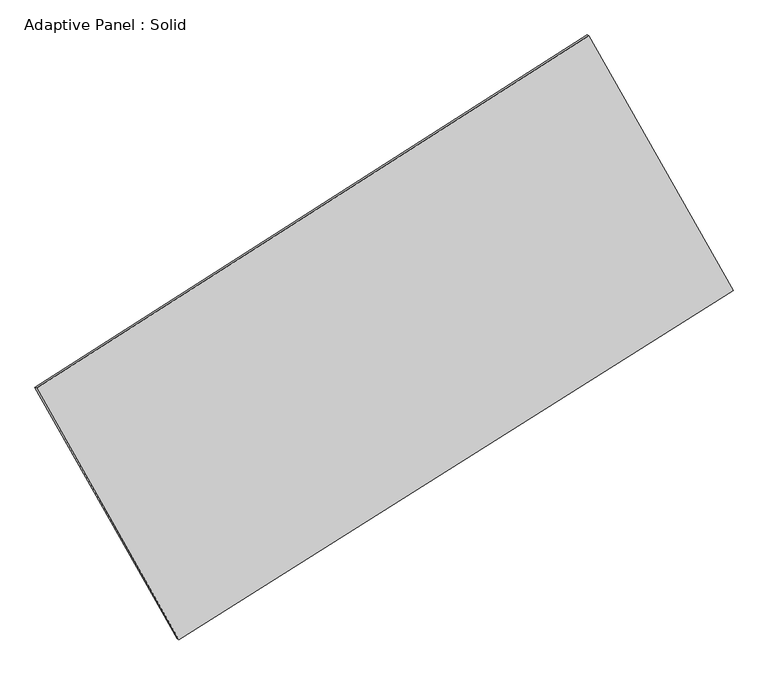
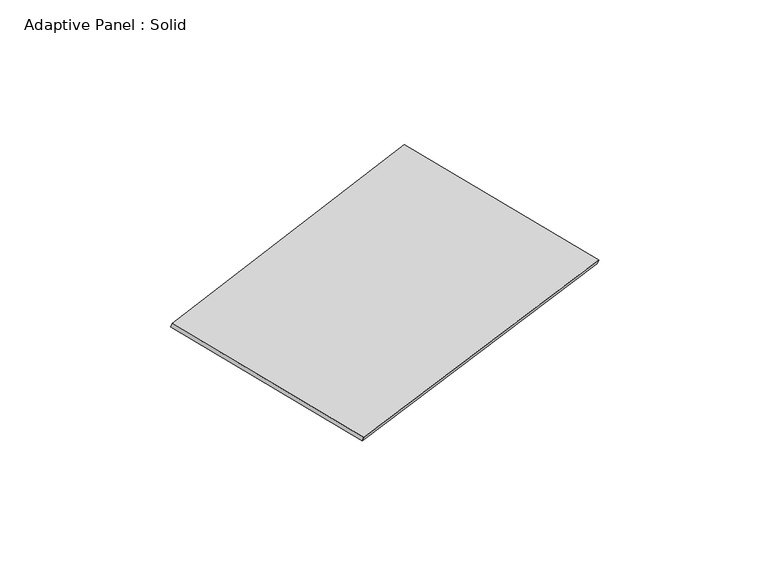
"""IFC4 building model written with IfcOpenShell, lengths in millimetres: plate geometry, Adaptive Panel : Solid."""

import ifcopenshell
import ifcopenshell.guid

model = None  # the IFC model being written
_history = None  # IfcOwnerHistory: only IFC2X3 demands one
_inside = {}  # id of a spatial element -> (the spatial element, [elements in it])
_under = {}  # id of a project, library or spatial element -> (it, [spatial elements below it])
_declared = {}  # id of a project -> (the project, [libraries it declares])
_typed = {}  # id of a type object -> (the type object, [elements of that type])
_made_of = {}  # id of a material, layer set ... -> (it, [elements and type objects made of it])


def new_model(schema):
    """Start an empty IFC model of exactly this schema.

    Asked for "IFC4X3", IfcOpenShell would pick the latest addendum, in which some entities
    have other attributes; the version numbers below select the first issue.
    IFC2X3 requires an IfcOwnerHistory on every rooted entity: one is made here for all.
    """
    global model, _history
    if schema == "IFC4X3":
        model = ifcopenshell.file(schema_version=(4, 3, 0, 0))
    else:
        model = ifcopenshell.file(schema=schema)
    _inside.clear()
    _under.clear()
    _declared.clear()
    _typed.clear()
    _made_of.clear()
    _history = None
    if model.schema == "IFC2X3":
        org = make("IfcOrganization", Name="unknown")
        user = make(
            "IfcPersonAndOrganization",
            ThePerson=make("IfcPerson", FamilyName="unknown"),
            TheOrganization=org,
        )
        app = make(
            "IfcApplication",
            ApplicationDeveloper=org,
            Version="unknown",
            ApplicationFullName="unknown",
            ApplicationIdentifier="unknown",
        )
        _history = make(
            "IfcOwnerHistory",
            OwningUser=user,
            OwningApplication=app,
            ChangeAction="ADDED",
            CreationDate=0,
        )
    return model


def make(cls, **values):
    """One entity of the class cls with the attributes given. An attribute that is None is left unset."""
    return model.create_entity(
        cls, **{name: value for name, value in values.items() if value is not None}
    )


def rooted(cls, **values):
    """An entity with a GlobalId (a new one), such as an element, a storey or a relation."""
    return make(cls, GlobalId=ifcopenshell.guid.new(), OwnerHistory=_history, **values)


def si_unit(unit_type, name, prefix=None):
    """IfcSIUnit, for example si_unit("LENGTHUNIT", "METRE", prefix="MILLI")."""
    return make("IfcSIUnit", UnitType=unit_type, Prefix=prefix, Name=name)


def assignment(units):
    """IfcUnitAssignment: the units of a project."""
    return None if units is None else make("IfcUnitAssignment", Units=units)


def point(xyz):
    """IfcCartesianPoint."""
    return None if xyz is None else make("IfcCartesianPoint", Coordinates=xyz)


def direction(xyz):
    """IfcDirection."""
    return None if xyz is None else make("IfcDirection", DirectionRatios=xyz)


def frame(location, z_axis=None, x_axis=None):
    """IfcAxis2Placement3D, a coordinate frame: its origin and axes. An axis left out is left unset."""
    return make(
        "IfcAxis2Placement3D",
        Location=point(location),
        Axis=direction(z_axis),
        RefDirection=direction(x_axis),
    )


def origin():
    """The frame at (0, 0, 0) with its axes left unset."""
    return frame((0.0, 0.0, 0.0))


def place(relative_to, where):
    """IfcLocalPlacement: puts the frame where relative to a parent placement (None: the world)."""
    return make(
        "IfcLocalPlacement", PlacementRelTo=relative_to, RelativePlacement=where
    )


def context(
    kind, dimensions, precision=None, world=None, true_north=None, identifier=None
):
    """IfcGeometricRepresentationContext, for example the 3D "Model" context."""
    return make(
        "IfcGeometricRepresentationContext",
        ContextIdentifier=identifier,
        ContextType=kind,
        CoordinateSpaceDimension=dimensions,
        Precision=precision,
        WorldCoordinateSystem=world,
        TrueNorth=true_north,
    )


def project(units=None, contexts=None):
    """IfcProject with its units and contexts."""
    return rooted(
        "IfcProject",
        Name="project",
        RepresentationContexts=contexts,
        UnitsInContext=assignment(units),
    )


def spatial(cls, under=None, at=None, **own):
    """A site, building, storey or space (cls), placed at a placement, below another one or the project."""
    s = rooted(cls, ObjectPlacement=at, **own)
    if under is not None:
        _under.setdefault(under.id(), (under, []))[1].append(s)
    return s


def polyline(points):
    """IfcPolyline through the points."""
    return make("IfcPolyline", Points=[point(p) for p in points])


def outline(outer, holes=None, kind="AREA"):
    """IfcArbitraryClosedProfileDef: a profile drawn as a closed curve; with holes, ...WithVoids."""
    if holes is None:
        return make("IfcArbitraryClosedProfileDef", ProfileType=kind, OuterCurve=outer)
    return make(
        "IfcArbitraryProfileDefWithVoids",
        ProfileType=kind,
        OuterCurve=outer,
        InnerCurves=holes,
    )


def extrude(swept, where, along, depth):
    """IfcExtrudedAreaSolid: the profile swept, set in the frame where, extruded along a direction by depth."""
    return make(
        "IfcExtrudedAreaSolid",
        SweptArea=swept,
        Position=where,
        ExtrudedDirection=direction(along),
        Depth=depth,
    )


def shape(context_of_items, identifier, shape_type, items):
    """IfcShapeRepresentation: the items that make up one representation, for example the "Body"."""
    return make(
        "IfcShapeRepresentation",
        ContextOfItems=context_of_items,
        RepresentationIdentifier=identifier,
        RepresentationType=shape_type,
        Items=items,
    )


def source(mapping_origin, context_of_items, identifier, shape_type, items):
    """IfcRepresentationMap: a shape defined once, which mapped items show again and again."""
    return make(
        "IfcRepresentationMap",
        MappingOrigin=mapping_origin,
        MappedRepresentation=shape(context_of_items, identifier, shape_type, items),
    )


def transform(
    local_origin,
    x_axis=None,
    y_axis=None,
    z_axis=None,
    scale=None,
    scale2=None,
    scale3=None,
    uniform=True,
):
    """IfcCartesianTransformationOperator3D, or its non-uniform kind. x_axis, y_axis, z_axis: its Axis1, 2, 3."""
    if uniform:
        return make(
            "IfcCartesianTransformationOperator3D",
            Axis1=direction(x_axis),
            Axis2=direction(y_axis),
            LocalOrigin=point(local_origin),
            Scale=scale,
            Axis3=direction(z_axis),
        )
    return make(
        "IfcCartesianTransformationOperator3DnonUniform",
        Axis1=direction(x_axis),
        Axis2=direction(y_axis),
        LocalOrigin=point(local_origin),
        Scale=scale,
        Axis3=direction(z_axis),
        Scale2=scale2,
        Scale3=scale3,
    )


def mapped(mapping_source, mapping_target):
    """IfcMappedItem: shows the shape of a source again, moved by a transform."""
    return make(
        "IfcMappedItem", MappingSource=mapping_source, MappingTarget=mapping_target
    )


def made_of(thing, what):
    """Note that an element or type object is made of a material, layer set ...; save() writes the relation."""
    if what is not None:
        _made_of.setdefault(what.id(), (what, []))[1].append(thing)
    return thing


def element(
    cls,
    number,
    at=None,
    inside=None,
    cuts=None,
    type_object=None,
    material=None,
    context=None,
    identifier="Body",
    shape_type=None,
    held_by="IfcProductDefinitionShape",
    body=None,
    shapes=None,
    **own,
):
    """One element of the class cls, such as IfcWall. Its Tag is "e" and its number.

    at: its placement. inside: the storey or other place that contains it. cuts: it is an
    opening in that element (IfcRelVoidsElement). A single representation is given by context,
    identifier, shape_type and body (its items); several are given by shapes. held_by: the class
    of the entity that holds the representations. save() writes the other relations.
    """
    e = rooted(cls, Tag="e%d" % number, ObjectPlacement=at, **own)
    if body is not None:
        shapes = [shape(context, identifier, shape_type, body)]
    if shapes is not None:
        e.Representation = make(held_by, Representations=shapes)
    if inside is not None:
        _inside.setdefault(inside.id(), (inside, []))[1].append(e)
    if cuts is not None:
        rooted(
            "IfcRelVoidsElement", RelatingBuildingElement=cuts, RelatedOpeningElement=e
        )
    if type_object is not None:
        _typed.setdefault(type_object.id(), (type_object, []))[1].append(e)
    return made_of(e, material)


def aggregate(whole, parts):
    """IfcRelAggregates: a whole, such as a stair, and the parts it consists of."""
    return rooted("IfcRelAggregates", RelatingObject=whole, RelatedObjects=parts)


def save(model, path):
    """Write the relations noted so far, then the file.

    IfcRelAggregates (storeys below a building ...), IfcRelContainedInSpatialStructure (elements
    in a storey), IfcRelDefinesByType, IfcRelAssociatesMaterial and IfcRelDeclares: one each for
    every whole, place, type object, material and project.
    """
    for whole, parts in _under.values():
        aggregate(whole, parts)
    for where, things in _inside.values():
        rooted(
            "IfcRelContainedInSpatialStructure",
            RelatedElements=things,
            RelatingStructure=where,
        )
    for kind, things in _typed.values():
        rooted("IfcRelDefinesByType", RelatedObjects=things, RelatingType=kind)
    for what, things in _made_of.values():
        rooted("IfcRelAssociatesMaterial", RelatedObjects=things, RelatingMaterial=what)
    for by, libraries in _declared.values():
        rooted("IfcRelDeclares", RelatingContext=by, RelatedDefinitions=libraries)
    model.write(path)


def adaptive_panel_solid_50c100d7(model_context):
    return source(origin(), model_context, "Body", "SweptSolid", [
        extrude(outline(polyline([(-1337.5496044, 2941.1867058), (1337.5496045, 2941.1867058), (1320.7488272, -2941.1867058), (-1320.7488272, -2941.1867058), (-1337.5496044, 2941.1867058)])), frame((-650.8226445, -100.0621432, 871.2806301), z_axis=(0.29332711661117616, -0.12760186928687145, 0.9474581603506668), x_axis=(0.47515947580179724, -0.8405144993277596, -0.2603052995533646)), (0.0, 0.0, 1.0), 50.0),
    ])


if __name__ == "__main__":
    model = new_model("IFC4")
    model_context = context("Model", 3, world=origin())
    ifc_project = project(units=[si_unit("LENGTHUNIT", "METRE", prefix="MILLI")], contexts=[model_context])
    site = spatial("IfcSite", under=ifc_project)
    building = spatial("IfcBuilding", under=site)
    placement = place(None, origin())
    adaptive_panel_solid_shape = adaptive_panel_solid_50c100d7(model_context)
    element("IfcPlate", 1, ObjectType="Adaptive Panel : Solid", at=placement, inside=building, context=model_context, shape_type="MappedRepresentation", body=[
        mapped(adaptive_panel_solid_shape, transform((0.0, 0.0, 0.0), x_axis=(1.0, 0.0, 0.0), y_axis=(0.0, 1.0, 0.0), z_axis=(0.0, 0.0, 1.0))),
    ])
    save(model, "model.ifc")
